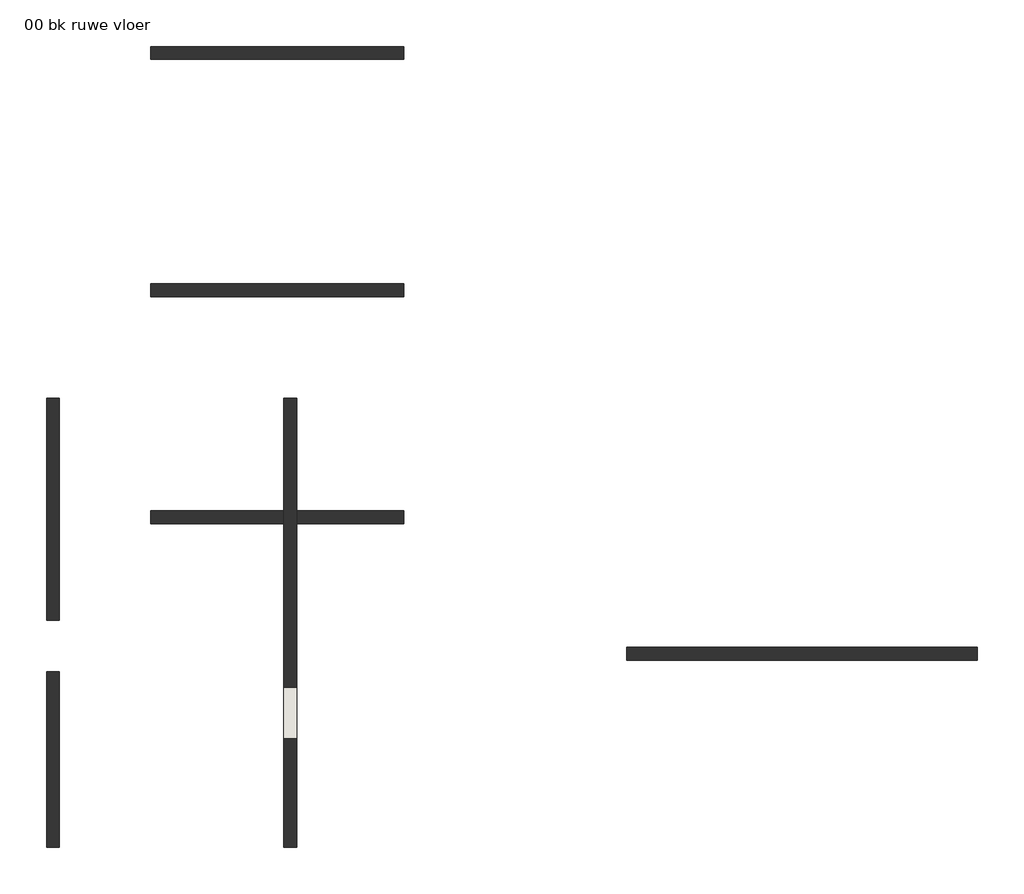
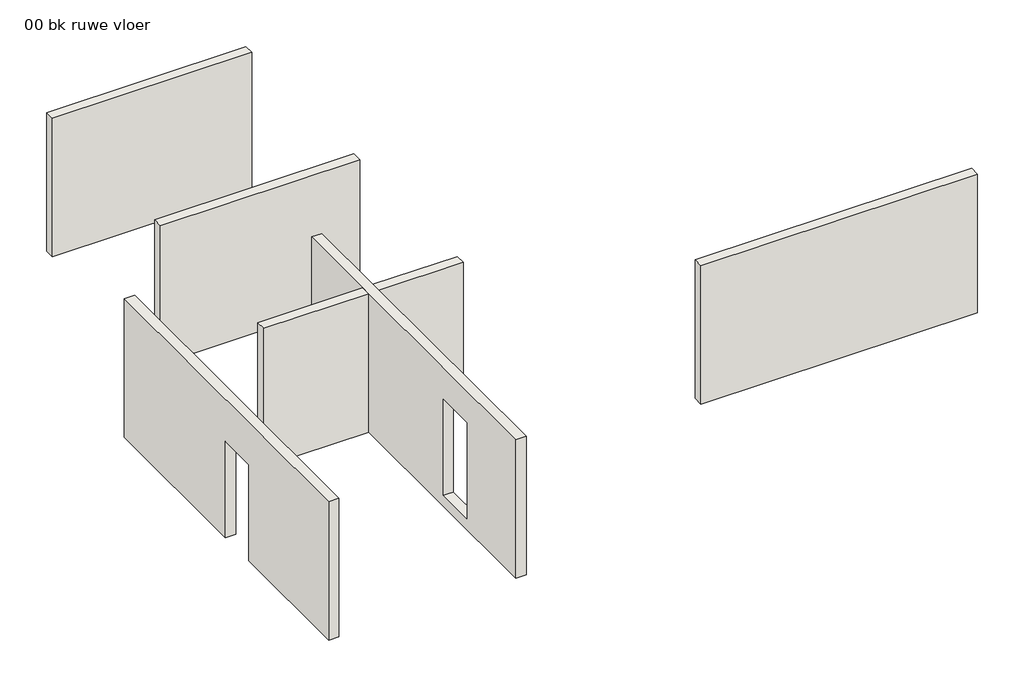
# One storey: 6 walls.
"""IFC4 building model written with IfcOpenShell, lengths in millimetres."""

from ifc_helpers import new_model, si_unit, frame, origin, place, context, project, spatial, polyline, outline, extrude, faceted_brep, element, save

model = new_model("IFC4")

# Units and contexts
model_context = context("Model", 3, world=origin())
ifc_project = project(units=[si_unit("LENGTHUNIT", "METRE", prefix="MILLI")], contexts=[model_context])

# Site, building, storey
site = spatial("IfcSite", under=ifc_project)
building = spatial("IfcBuilding", under=site)
storey = spatial("IfcBuildingStorey", under=building, Name="00 bk ruwe vloer", Elevation=-50.0)

# Walls
placement = place(None, origin())
element("IfcWall", 1, at=placement, inside=storey, context=model_context, shape_type="SweptSolid", body=[
    extrude(outline(polyline([(15572.5446281, 10855.4969), (8772.5446281, 10855.4969), (8772.5446281, 11105.4969), (15572.5446281, 11105.4969), (15572.5446281, 10855.4969)])), frame((0.0, 0.0, -50.0), z_axis=(0.0, 0.0, 1.0), x_axis=(1.0, 0.0, 0.0)), (0.0, 0.0, 1.0), 3600.0),
])
element("IfcWall", 2, at=placement, inside=storey, context=model_context, shape_type="Brep", body=[
    faceted_brep([(2378.8374417, 7227.7724279, -50.0), (2378.8374417, 13496.5571001, -50.0), (2378.8374417, 13746.5571001, -50.0), (2378.8374417, 15927.7724279, -50.0), (2378.8374417, 15927.7724279, 3550.0), (2378.8374417, 13746.5571001, 3550.0), (2378.8374417, 13496.5571001, 3550.0), (2378.8374417, 7227.7724279, 3550.0), (2378.8374417, 9327.7724279, 225.0302355), (2378.8374417, 9327.7724279, 2725.0302355), (2378.8374417, 10327.7724279, 2725.0302355), (2378.8374417, 10327.7724279, 225.0302355), (2128.8374417, 7227.7724279, -50.0), (2128.8374417, 7227.7724279, 3550.0), (2128.8374417, 13496.5571001, 3550.0), (2128.8374417, 13746.5571001, 3550.0), (2128.8374417, 15927.7724279, 3550.0), (2128.8374417, 15927.7724279, -50.0), (2128.8374417, 13746.5571001, -50.0), (2128.8374417, 13496.5571001, -50.0), (2128.8374417, 9327.7724279, 2725.0302355), (2128.8374417, 9327.7724279, 225.0302355), (2128.8374417, 10327.7724279, 225.0302355), (2128.8374417, 10327.7724279, 2725.0302355)], [[[0, 1, 2, 3, 4, 5, 6, 7], [8, 9, 10, 11]], [[12, 13, 14, 15, 16, 17, 18, 19], [20, 21, 22, 23]], [[3, 2, 1, 0, 12, 19, 18, 17]], [[4, 3, 17, 16]], [[7, 6, 5, 4, 16, 15, 14, 13]], [[0, 7, 13, 12]], [[8, 21, 20, 9]], [[21, 8, 11, 22]], [[22, 11, 10, 23]], [[9, 20, 23, 10]]]),
])
element("IfcWall", 3, at=placement, inside=storey, context=model_context, shape_type="SweptSolid", body=[
    extrude(outline(polyline([(-449.7335153, 13496.5571001), (-449.7335153, 13746.5571001), (2128.8374417, 13746.5571001), (2128.8374417, 13496.5571001), (-449.7335153, 13496.5571001)])), frame((0.0, 0.0, -50.0), z_axis=(0.0, 0.0, 1.0), x_axis=(1.0, 0.0, 0.0)), (0.0, 0.0, 1.0), 3600.0),
    extrude(outline(polyline([(4450.2664847, 13746.5571001), (4450.2664847, 13496.5571001), (2378.8374417, 13496.5571001), (2378.8374417, 13746.5571001), (4450.2664847, 13746.5571001)])), frame((0.0, 0.0, -50.0), z_axis=(0.0, 0.0, 1.0), x_axis=(1.0, 0.0, 0.0)), (0.0, 0.0, 1.0), 3600.0),
])
element("IfcWall", 4, at=placement, inside=storey, context=model_context, shape_type="SweptSolid", body=[
    extrude(outline(polyline([(4450.2664847, 17896.5571001), (-449.7335153, 17896.5571001), (-449.7335153, 18146.5571001), (4450.2664847, 18146.5571001), (4450.2664847, 17896.5571001)])), frame((0.0, 0.0, -50.0), z_axis=(0.0, 0.0, 1.0), x_axis=(1.0, 0.0, 0.0)), (0.0, 0.0, 1.0), 3600.0),
])
element("IfcWall", 5, at=placement, inside=storey, context=model_context, shape_type="SweptSolid", body=[
    extrude(outline(polyline([(15927.7724279, 3550.0), (15927.7724279, -50.0), (11627.7724279, -50.0), (11627.7724279, 2450.0), (10627.7724279, 2450.0), (10627.7724279, -50.0), (7227.7724279, -50.0), (7227.7724279, 3550.0), (15927.7724279, 3550.0)])), frame((-2471.1625583, 0.0, 0.0), z_axis=(1.0, 0.0, 0.0), x_axis=(0.0, 1.0, 0.0)), (0.0, 0.0, 1.0), 250.0),
])
element("IfcWall", 6, at=placement, inside=storey, context=model_context, shape_type="SweptSolid", body=[
    extrude(outline(polyline([(4450.2664847, 22496.5571001), (-449.7335153, 22496.5571001), (-449.7335153, 22746.5571001), (4450.2664847, 22746.5571001), (4450.2664847, 22496.5571001)])), frame((0.0, 0.0, -50.0), z_axis=(0.0, 0.0, 1.0), x_axis=(1.0, 0.0, 0.0)), (0.0, 0.0, 1.0), 3600.0),
])

save(model, "model.ifc")
